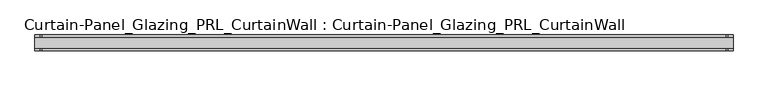
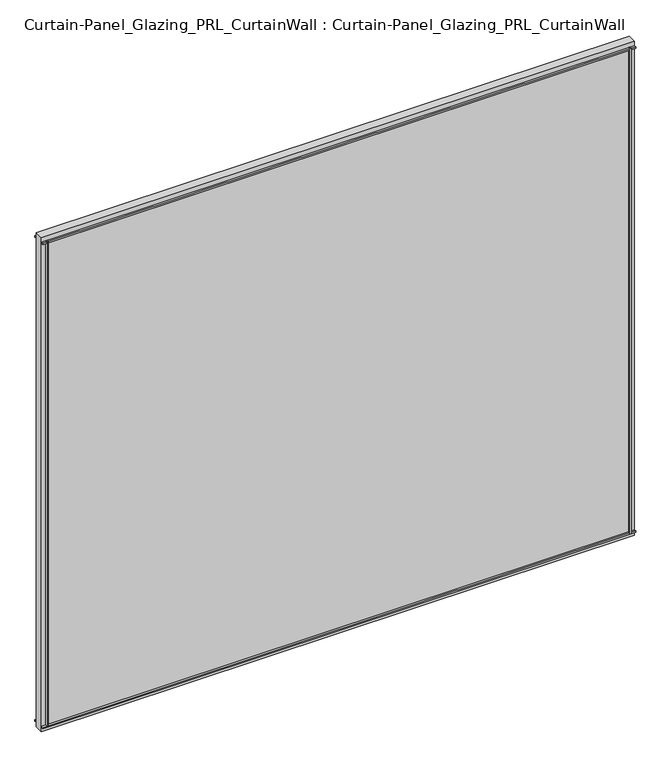
"""IFC4 building model written with IfcOpenShell, lengths in millimetres: plate geometry, Curtain-Panel_Glazing_PRL_CurtainWall : Curtain-Panel_Glazing_PRL_CurtainWall."""

import ifcopenshell
import ifcopenshell.guid

model = None  # the IFC model being written
_history = None  # IfcOwnerHistory: only IFC2X3 demands one
_inside = {}  # id of a spatial element -> (the spatial element, [elements in it])
_under = {}  # id of a project, library or spatial element -> (it, [spatial elements below it])
_declared = {}  # id of a project -> (the project, [libraries it declares])
_typed = {}  # id of a type object -> (the type object, [elements of that type])
_made_of = {}  # id of a material, layer set ... -> (it, [elements and type objects made of it])


def new_model(schema):
    """Start an empty IFC model of exactly this schema.

    Asked for "IFC4X3", IfcOpenShell would pick the latest addendum, in which some entities
    have other attributes; the version numbers below select the first issue.
    IFC2X3 requires an IfcOwnerHistory on every rooted entity: one is made here for all.
    """
    global model, _history
    if schema == "IFC4X3":
        model = ifcopenshell.file(schema_version=(4, 3, 0, 0))
    else:
        model = ifcopenshell.file(schema=schema)
    _inside.clear()
    _under.clear()
    _declared.clear()
    _typed.clear()
    _made_of.clear()
    _history = None
    if model.schema == "IFC2X3":
        org = make("IfcOrganization", Name="unknown")
        user = make(
            "IfcPersonAndOrganization",
            ThePerson=make("IfcPerson", FamilyName="unknown"),
            TheOrganization=org,
        )
        app = make(
            "IfcApplication",
            ApplicationDeveloper=org,
            Version="unknown",
            ApplicationFullName="unknown",
            ApplicationIdentifier="unknown",
        )
        _history = make(
            "IfcOwnerHistory",
            OwningUser=user,
            OwningApplication=app,
            ChangeAction="ADDED",
            CreationDate=0,
        )
    return model


def make(cls, **values):
    """One entity of the class cls with the attributes given. An attribute that is None is left unset."""
    return model.create_entity(
        cls, **{name: value for name, value in values.items() if value is not None}
    )


def rooted(cls, **values):
    """An entity with a GlobalId (a new one), such as an element, a storey or a relation."""
    return make(cls, GlobalId=ifcopenshell.guid.new(), OwnerHistory=_history, **values)


def si_unit(unit_type, name, prefix=None):
    """IfcSIUnit, for example si_unit("LENGTHUNIT", "METRE", prefix="MILLI")."""
    return make("IfcSIUnit", UnitType=unit_type, Prefix=prefix, Name=name)


def assignment(units):
    """IfcUnitAssignment: the units of a project."""
    return None if units is None else make("IfcUnitAssignment", Units=units)


def point(xyz):
    """IfcCartesianPoint."""
    return None if xyz is None else make("IfcCartesianPoint", Coordinates=xyz)


def direction(xyz):
    """IfcDirection."""
    return None if xyz is None else make("IfcDirection", DirectionRatios=xyz)


def frame(location, z_axis=None, x_axis=None):
    """IfcAxis2Placement3D, a coordinate frame: its origin and axes. An axis left out is left unset."""
    return make(
        "IfcAxis2Placement3D",
        Location=point(location),
        Axis=direction(z_axis),
        RefDirection=direction(x_axis),
    )


def origin():
    """The frame at (0, 0, 0) with its axes left unset."""
    return frame((0.0, 0.0, 0.0))


def origin_with_axes():
    """The frame at (0, 0, 0) with the z axis (0, 0, 1) and the x axis (1, 0, 0) written out."""
    return frame((0.0, 0.0, 0.0), z_axis=(0.0, 0.0, 1.0), x_axis=(1.0, 0.0, 0.0))


def place(relative_to, where):
    """IfcLocalPlacement: puts the frame where relative to a parent placement (None: the world)."""
    return make(
        "IfcLocalPlacement", PlacementRelTo=relative_to, RelativePlacement=where
    )


def context(
    kind, dimensions, precision=None, world=None, true_north=None, identifier=None
):
    """IfcGeometricRepresentationContext, for example the 3D "Model" context."""
    return make(
        "IfcGeometricRepresentationContext",
        ContextIdentifier=identifier,
        ContextType=kind,
        CoordinateSpaceDimension=dimensions,
        Precision=precision,
        WorldCoordinateSystem=world,
        TrueNorth=true_north,
    )


def project(units=None, contexts=None):
    """IfcProject with its units and contexts."""
    return rooted(
        "IfcProject",
        Name="project",
        RepresentationContexts=contexts,
        UnitsInContext=assignment(units),
    )


def spatial(cls, under=None, at=None, **own):
    """A site, building, storey or space (cls), placed at a placement, below another one or the project."""
    s = rooted(cls, ObjectPlacement=at, **own)
    if under is not None:
        _under.setdefault(under.id(), (under, []))[1].append(s)
    return s


def polyline(points):
    """IfcPolyline through the points."""
    return make("IfcPolyline", Points=[point(p) for p in points])


def outline(outer, holes=None, kind="AREA"):
    """IfcArbitraryClosedProfileDef: a profile drawn as a closed curve; with holes, ...WithVoids."""
    if holes is None:
        return make("IfcArbitraryClosedProfileDef", ProfileType=kind, OuterCurve=outer)
    return make(
        "IfcArbitraryProfileDefWithVoids",
        ProfileType=kind,
        OuterCurve=outer,
        InnerCurves=holes,
    )


def extrude(swept, where, along, depth):
    """IfcExtrudedAreaSolid: the profile swept, set in the frame where, extruded along a direction by depth."""
    return make(
        "IfcExtrudedAreaSolid",
        SweptArea=swept,
        Position=where,
        ExtrudedDirection=direction(along),
        Depth=depth,
    )


def shape(context_of_items, identifier, shape_type, items):
    """IfcShapeRepresentation: the items that make up one representation, for example the "Body"."""
    return make(
        "IfcShapeRepresentation",
        ContextOfItems=context_of_items,
        RepresentationIdentifier=identifier,
        RepresentationType=shape_type,
        Items=items,
    )


def source(mapping_origin, context_of_items, identifier, shape_type, items):
    """IfcRepresentationMap: a shape defined once, which mapped items show again and again."""
    return make(
        "IfcRepresentationMap",
        MappingOrigin=mapping_origin,
        MappedRepresentation=shape(context_of_items, identifier, shape_type, items),
    )


def transform(
    local_origin,
    x_axis=None,
    y_axis=None,
    z_axis=None,
    scale=None,
    scale2=None,
    scale3=None,
    uniform=True,
):
    """IfcCartesianTransformationOperator3D, or its non-uniform kind. x_axis, y_axis, z_axis: its Axis1, 2, 3."""
    if uniform:
        return make(
            "IfcCartesianTransformationOperator3D",
            Axis1=direction(x_axis),
            Axis2=direction(y_axis),
            LocalOrigin=point(local_origin),
            Scale=scale,
            Axis3=direction(z_axis),
        )
    return make(
        "IfcCartesianTransformationOperator3DnonUniform",
        Axis1=direction(x_axis),
        Axis2=direction(y_axis),
        LocalOrigin=point(local_origin),
        Scale=scale,
        Axis3=direction(z_axis),
        Scale2=scale2,
        Scale3=scale3,
    )


def mapped(mapping_source, mapping_target):
    """IfcMappedItem: shows the shape of a source again, moved by a transform."""
    return make(
        "IfcMappedItem", MappingSource=mapping_source, MappingTarget=mapping_target
    )


def made_of(thing, what):
    """Note that an element or type object is made of a material, layer set ...; save() writes the relation."""
    if what is not None:
        _made_of.setdefault(what.id(), (what, []))[1].append(thing)
    return thing


def element(
    cls,
    number,
    at=None,
    inside=None,
    cuts=None,
    type_object=None,
    material=None,
    context=None,
    identifier="Body",
    shape_type=None,
    held_by="IfcProductDefinitionShape",
    body=None,
    shapes=None,
    **own,
):
    """One element of the class cls, such as IfcWall. Its Tag is "e" and its number.

    at: its placement. inside: the storey or other place that contains it. cuts: it is an
    opening in that element (IfcRelVoidsElement). A single representation is given by context,
    identifier, shape_type and body (its items); several are given by shapes. held_by: the class
    of the entity that holds the representations. save() writes the other relations.
    """
    e = rooted(cls, Tag="e%d" % number, ObjectPlacement=at, **own)
    if body is not None:
        shapes = [shape(context, identifier, shape_type, body)]
    if shapes is not None:
        e.Representation = make(held_by, Representations=shapes)
    if inside is not None:
        _inside.setdefault(inside.id(), (inside, []))[1].append(e)
    if cuts is not None:
        rooted(
            "IfcRelVoidsElement", RelatingBuildingElement=cuts, RelatedOpeningElement=e
        )
    if type_object is not None:
        _typed.setdefault(type_object.id(), (type_object, []))[1].append(e)
    return made_of(e, material)


def aggregate(whole, parts):
    """IfcRelAggregates: a whole, such as a stair, and the parts it consists of."""
    return rooted("IfcRelAggregates", RelatingObject=whole, RelatedObjects=parts)


def save(model, path):
    """Write the relations noted so far, then the file.

    IfcRelAggregates (storeys below a building ...), IfcRelContainedInSpatialStructure (elements
    in a storey), IfcRelDefinesByType, IfcRelAssociatesMaterial and IfcRelDeclares: one each for
    every whole, place, type object, material and project.
    """
    for whole, parts in _under.values():
        aggregate(whole, parts)
    for where, things in _inside.values():
        rooted(
            "IfcRelContainedInSpatialStructure",
            RelatedElements=things,
            RelatingStructure=where,
        )
    for kind, things in _typed.values():
        rooted("IfcRelDefinesByType", RelatedObjects=things, RelatingType=kind)
    for what, things in _made_of.values():
        rooted("IfcRelAssociatesMaterial", RelatedObjects=things, RelatingMaterial=what)
    for by, libraries in _declared.values():
        rooted("IfcRelDeclares", RelatingContext=by, RelatedDefinitions=libraries)
    model.write(path)


def curtain_panel_glazing_prl_curtainwall_curtain_panel_glazing_6dd0031c(model_context):
    return source(origin(), model_context, "Body", "SweptSolid", [
        extrude(outline(polyline([(831.85, -19.05), (827.88125, -19.05), (827.88125, -12.7), (831.85, -12.7), (831.85, -19.05)])), frame((0.0, 0.0, 12.7), z_axis=(0.0, 0.0, 1.0), x_axis=(1.0, 0.0, 0.0)), (0.0, 0.0, 1.0), 1460.5),
        extrude(outline(polyline([(831.85, 19.05), (831.85, 12.7), (827.88125, 12.7), (827.88125, 19.05), (831.85, 19.05)])), frame((0.0, 0.0, 12.7), z_axis=(0.0, 0.0, 1.0), x_axis=(1.0, 0.0, 0.0)), (0.0, 0.0, 1.0), 1460.5),
        extrude(outline(polyline([(-831.85, -19.05), (-831.85, -12.7), (-827.88125, -12.7), (-827.88125, -19.05), (-831.85, -19.05)])), frame((0.0, 0.0, 12.7), z_axis=(0.0, 0.0, 1.0), x_axis=(1.0, 0.0, 0.0)), (0.0, 0.0, 1.0), 1460.5),
        extrude(outline(polyline([(-831.85, 19.05), (-827.88125, 19.05), (-827.88125, 12.7), (-831.85, 12.7), (-831.85, 19.05)])), frame((0.0, 0.0, 12.7), z_axis=(0.0, 0.0, 1.0), x_axis=(1.0, 0.0, 0.0)), (0.0, 0.0, 1.0), 1460.5),
        extrude(outline(polyline([(844.55, 12.7), (844.55, -12.7), (-844.55, -12.7), (-844.55, 12.7), (844.55, 12.7)])), origin_with_axes(), (0.0, 0.0, 1.0), 1485.9),
        extrude(outline(polyline([(-844.55, -19.05), (-844.55, -12.7), (844.55, -12.7), (844.55, -19.05), (-844.55, -19.05)])), frame((0.0, 0.0, 1469.23125), z_axis=(0.0, 0.0, 1.0), x_axis=(1.0, 0.0, 0.0)), (0.0, 0.0, 1.0), 3.96875),
        extrude(outline(polyline([(-844.55, 19.05), (844.55, 19.05), (844.55, 12.7), (-844.55, 12.7), (-844.55, 19.05)])), frame((0.0, 0.0, 1469.23125), z_axis=(0.0, 0.0, 1.0), x_axis=(1.0, 0.0, 0.0)), (0.0, 0.0, 1.0), 3.96875),
        extrude(outline(polyline([(-844.55, -19.05), (-844.55, -12.7), (844.55, -12.7), (844.55, -19.05), (-844.55, -19.05)])), frame((0.0, 0.0, 12.7), z_axis=(0.0, 0.0, 1.0), x_axis=(1.0, 0.0, 0.0)), (0.0, 0.0, 1.0), 3.96875),
        extrude(outline(polyline([(-844.55, 19.05), (844.55, 19.05), (844.55, 12.7), (-844.55, 12.7), (-844.55, 19.05)])), frame((0.0, 0.0, 12.7), z_axis=(0.0, 0.0, 1.0), x_axis=(1.0, 0.0, 0.0)), (0.0, 0.0, 1.0), 3.96875),
    ])


if __name__ == "__main__":
    model = new_model("IFC4")
    model_context = context("Model", 3, world=origin())
    ifc_project = project(units=[si_unit("LENGTHUNIT", "METRE", prefix="MILLI")], contexts=[model_context])
    site = spatial("IfcSite", under=ifc_project)
    building = spatial("IfcBuilding", under=site)
    placement = place(None, origin())
    curtain_panel_glazing_prl_curtainwall_curtain_panel_glazing_shape = curtain_panel_glazing_prl_curtainwall_curtain_panel_glazing_6dd0031c(model_context)
    element("IfcPlate", 1, ObjectType="Curtain-Panel_Glazing_PRL_CurtainWall : Curtain-Panel_Glazing_PRL_CurtainWall", at=placement, inside=building, context=model_context, shape_type="MappedRepresentation", body=[
        mapped(curtain_panel_glazing_prl_curtainwall_curtain_panel_glazing_shape, transform((0.0, 0.0, 0.0), x_axis=(1.0, 0.0, 0.0), y_axis=(0.0, 1.0, 0.0), z_axis=(0.0, 0.0, 1.0))),
    ])
    save(model, "model.ifc")
